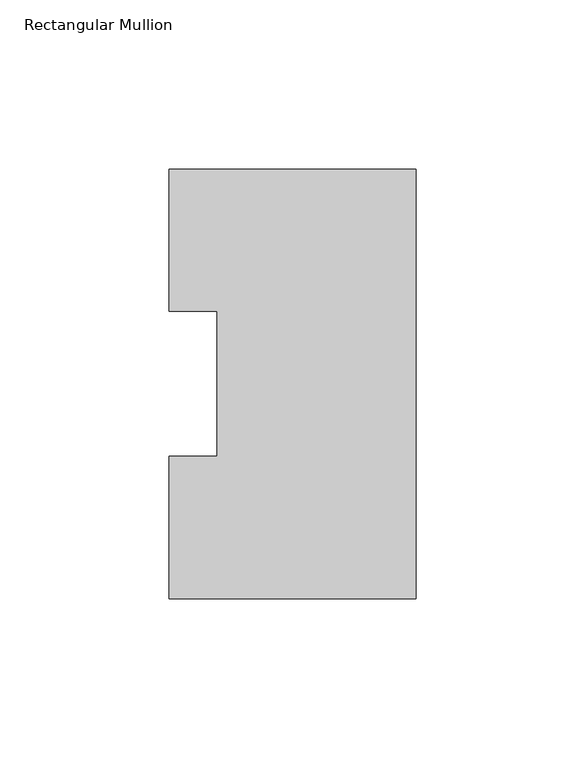
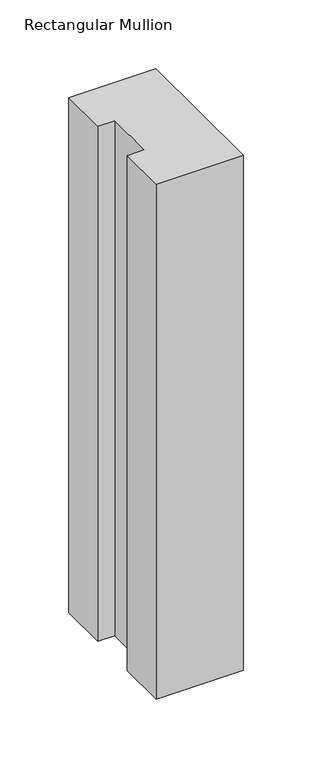
"""IFC4 building model written with IfcOpenShell, lengths in millimetres: member geometry, Rectangular Mullion."""

import ifcopenshell
import ifcopenshell.guid

model = None  # the IFC model being written
_history = None  # IfcOwnerHistory: only IFC2X3 demands one
_inside = {}  # id of a spatial element -> (the spatial element, [elements in it])
_under = {}  # id of a project, library or spatial element -> (it, [spatial elements below it])
_declared = {}  # id of a project -> (the project, [libraries it declares])
_typed = {}  # id of a type object -> (the type object, [elements of that type])
_made_of = {}  # id of a material, layer set ... -> (it, [elements and type objects made of it])


def new_model(schema):
    """Start an empty IFC model of exactly this schema.

    Asked for "IFC4X3", IfcOpenShell would pick the latest addendum, in which some entities
    have other attributes; the version numbers below select the first issue.
    IFC2X3 requires an IfcOwnerHistory on every rooted entity: one is made here for all.
    """
    global model, _history
    if schema == "IFC4X3":
        model = ifcopenshell.file(schema_version=(4, 3, 0, 0))
    else:
        model = ifcopenshell.file(schema=schema)
    _inside.clear()
    _under.clear()
    _declared.clear()
    _typed.clear()
    _made_of.clear()
    _history = None
    if model.schema == "IFC2X3":
        org = make("IfcOrganization", Name="unknown")
        user = make(
            "IfcPersonAndOrganization",
            ThePerson=make("IfcPerson", FamilyName="unknown"),
            TheOrganization=org,
        )
        app = make(
            "IfcApplication",
            ApplicationDeveloper=org,
            Version="unknown",
            ApplicationFullName="unknown",
            ApplicationIdentifier="unknown",
        )
        _history = make(
            "IfcOwnerHistory",
            OwningUser=user,
            OwningApplication=app,
            ChangeAction="ADDED",
            CreationDate=0,
        )
    return model


def make(cls, **values):
    """One entity of the class cls with the attributes given. An attribute that is None is left unset."""
    return model.create_entity(
        cls, **{name: value for name, value in values.items() if value is not None}
    )


def rooted(cls, **values):
    """An entity with a GlobalId (a new one), such as an element, a storey or a relation."""
    return make(cls, GlobalId=ifcopenshell.guid.new(), OwnerHistory=_history, **values)


def si_unit(unit_type, name, prefix=None):
    """IfcSIUnit, for example si_unit("LENGTHUNIT", "METRE", prefix="MILLI")."""
    return make("IfcSIUnit", UnitType=unit_type, Prefix=prefix, Name=name)


def assignment(units):
    """IfcUnitAssignment: the units of a project."""
    return None if units is None else make("IfcUnitAssignment", Units=units)


def point(xyz):
    """IfcCartesianPoint."""
    return None if xyz is None else make("IfcCartesianPoint", Coordinates=xyz)


def direction(xyz):
    """IfcDirection."""
    return None if xyz is None else make("IfcDirection", DirectionRatios=xyz)


def frame(location, z_axis=None, x_axis=None):
    """IfcAxis2Placement3D, a coordinate frame: its origin and axes. An axis left out is left unset."""
    return make(
        "IfcAxis2Placement3D",
        Location=point(location),
        Axis=direction(z_axis),
        RefDirection=direction(x_axis),
    )


def origin():
    """The frame at (0, 0, 0) with its axes left unset."""
    return frame((0.0, 0.0, 0.0))


def place(relative_to, where):
    """IfcLocalPlacement: puts the frame where relative to a parent placement (None: the world)."""
    return make(
        "IfcLocalPlacement", PlacementRelTo=relative_to, RelativePlacement=where
    )


def context(
    kind, dimensions, precision=None, world=None, true_north=None, identifier=None
):
    """IfcGeometricRepresentationContext, for example the 3D "Model" context."""
    return make(
        "IfcGeometricRepresentationContext",
        ContextIdentifier=identifier,
        ContextType=kind,
        CoordinateSpaceDimension=dimensions,
        Precision=precision,
        WorldCoordinateSystem=world,
        TrueNorth=true_north,
    )


def project(units=None, contexts=None):
    """IfcProject with its units and contexts."""
    return rooted(
        "IfcProject",
        Name="project",
        RepresentationContexts=contexts,
        UnitsInContext=assignment(units),
    )


def spatial(cls, under=None, at=None, **own):
    """A site, building, storey or space (cls), placed at a placement, below another one or the project."""
    s = rooted(cls, ObjectPlacement=at, **own)
    if under is not None:
        _under.setdefault(under.id(), (under, []))[1].append(s)
    return s


def polyline(points):
    """IfcPolyline through the points."""
    return make("IfcPolyline", Points=[point(p) for p in points])


def outline(outer, holes=None, kind="AREA"):
    """IfcArbitraryClosedProfileDef: a profile drawn as a closed curve; with holes, ...WithVoids."""
    if holes is None:
        return make("IfcArbitraryClosedProfileDef", ProfileType=kind, OuterCurve=outer)
    return make(
        "IfcArbitraryProfileDefWithVoids",
        ProfileType=kind,
        OuterCurve=outer,
        InnerCurves=holes,
    )


def extrude(swept, where, along, depth):
    """IfcExtrudedAreaSolid: the profile swept, set in the frame where, extruded along a direction by depth."""
    return make(
        "IfcExtrudedAreaSolid",
        SweptArea=swept,
        Position=where,
        ExtrudedDirection=direction(along),
        Depth=depth,
    )


def shape(context_of_items, identifier, shape_type, items):
    """IfcShapeRepresentation: the items that make up one representation, for example the "Body"."""
    return make(
        "IfcShapeRepresentation",
        ContextOfItems=context_of_items,
        RepresentationIdentifier=identifier,
        RepresentationType=shape_type,
        Items=items,
    )


def source(mapping_origin, context_of_items, identifier, shape_type, items):
    """IfcRepresentationMap: a shape defined once, which mapped items show again and again."""
    return make(
        "IfcRepresentationMap",
        MappingOrigin=mapping_origin,
        MappedRepresentation=shape(context_of_items, identifier, shape_type, items),
    )


def transform(
    local_origin,
    x_axis=None,
    y_axis=None,
    z_axis=None,
    scale=None,
    scale2=None,
    scale3=None,
    uniform=True,
):
    """IfcCartesianTransformationOperator3D, or its non-uniform kind. x_axis, y_axis, z_axis: its Axis1, 2, 3."""
    if uniform:
        return make(
            "IfcCartesianTransformationOperator3D",
            Axis1=direction(x_axis),
            Axis2=direction(y_axis),
            LocalOrigin=point(local_origin),
            Scale=scale,
            Axis3=direction(z_axis),
        )
    return make(
        "IfcCartesianTransformationOperator3DnonUniform",
        Axis1=direction(x_axis),
        Axis2=direction(y_axis),
        LocalOrigin=point(local_origin),
        Scale=scale,
        Axis3=direction(z_axis),
        Scale2=scale2,
        Scale3=scale3,
    )


def mapped(mapping_source, mapping_target):
    """IfcMappedItem: shows the shape of a source again, moved by a transform."""
    return make(
        "IfcMappedItem", MappingSource=mapping_source, MappingTarget=mapping_target
    )


def made_of(thing, what):
    """Note that an element or type object is made of a material, layer set ...; save() writes the relation."""
    if what is not None:
        _made_of.setdefault(what.id(), (what, []))[1].append(thing)
    return thing


def element(
    cls,
    number,
    at=None,
    inside=None,
    cuts=None,
    type_object=None,
    material=None,
    context=None,
    identifier="Body",
    shape_type=None,
    held_by="IfcProductDefinitionShape",
    body=None,
    shapes=None,
    **own,
):
    """One element of the class cls, such as IfcWall. Its Tag is "e" and its number.

    at: its placement. inside: the storey or other place that contains it. cuts: it is an
    opening in that element (IfcRelVoidsElement). A single representation is given by context,
    identifier, shape_type and body (its items); several are given by shapes. held_by: the class
    of the entity that holds the representations. save() writes the other relations.
    """
    e = rooted(cls, Tag="e%d" % number, ObjectPlacement=at, **own)
    if body is not None:
        shapes = [shape(context, identifier, shape_type, body)]
    if shapes is not None:
        e.Representation = make(held_by, Representations=shapes)
    if inside is not None:
        _inside.setdefault(inside.id(), (inside, []))[1].append(e)
    if cuts is not None:
        rooted(
            "IfcRelVoidsElement", RelatingBuildingElement=cuts, RelatedOpeningElement=e
        )
    if type_object is not None:
        _typed.setdefault(type_object.id(), (type_object, []))[1].append(e)
    return made_of(e, material)


def aggregate(whole, parts):
    """IfcRelAggregates: a whole, such as a stair, and the parts it consists of."""
    return rooted("IfcRelAggregates", RelatingObject=whole, RelatedObjects=parts)


def save(model, path):
    """Write the relations noted so far, then the file.

    IfcRelAggregates (storeys below a building ...), IfcRelContainedInSpatialStructure (elements
    in a storey), IfcRelDefinesByType, IfcRelAssociatesMaterial and IfcRelDeclares: one each for
    every whole, place, type object, material and project.
    """
    for whole, parts in _under.values():
        aggregate(whole, parts)
    for where, things in _inside.values():
        rooted(
            "IfcRelContainedInSpatialStructure",
            RelatedElements=things,
            RelatingStructure=where,
        )
    for kind, things in _typed.values():
        rooted("IfcRelDefinesByType", RelatedObjects=things, RelatingType=kind)
    for what, things in _made_of.values():
        rooted("IfcRelAssociatesMaterial", RelatedObjects=things, RelatingMaterial=what)
    for by, libraries in _declared.values():
        rooted("IfcRelDeclares", RelatingContext=by, RelatedDefinitions=libraries)
    model.write(path)


def rectangular_mullion_0a5aa46a(model_context):
    return source(origin(), model_context, "Body", "SweptSolid", [
        extrude(outline(polyline([(-73.025, 127.00635), (0.0, 127.00635), (0.0, 0.00635), (-73.025, 0.00635), (-73.025, 42.08145), (-58.7375, 42.08145), (-58.7375, 84.93125), (-73.025, 84.93125), (-73.025, 127.00635)])), frame((0.0, 0.0, -457.2), z_axis=(0.0, 0.0, 1.0), x_axis=(1.0, 0.0, 0.0)), (0.0, 0.0, 1.0), 457.2),
    ])


if __name__ == "__main__":
    model = new_model("IFC4")
    model_context = context("Model", 3, world=origin())
    ifc_project = project(units=[si_unit("LENGTHUNIT", "METRE", prefix="MILLI")], contexts=[model_context])
    site = spatial("IfcSite", under=ifc_project)
    building = spatial("IfcBuilding", under=site)
    placement = place(None, origin())
    rectangular_mullion_shape = rectangular_mullion_0a5aa46a(model_context)
    element("IfcMember", 1, ObjectType="Rectangular Mullion", at=placement, inside=building, context=model_context, shape_type="MappedRepresentation", body=[
        mapped(rectangular_mullion_shape, transform((0.0, 0.0, 0.0), x_axis=(1.0, 0.0, 0.0), y_axis=(0.0, 1.0, 0.0), z_axis=(0.0, 0.0, 1.0))),
    ])
    save(model, "model.ifc")
